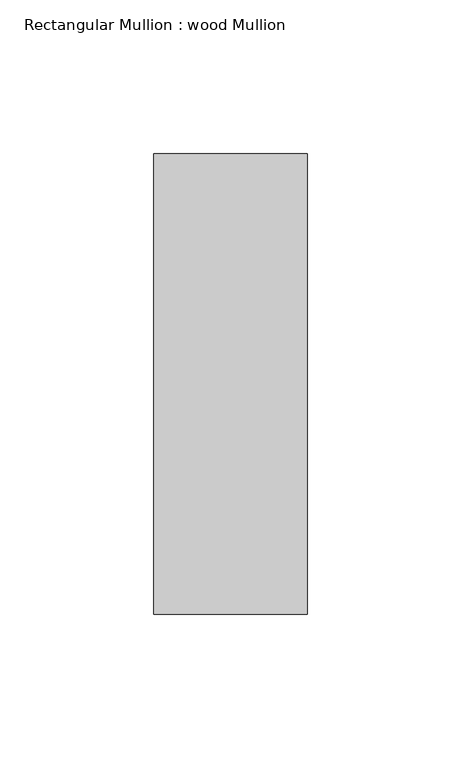
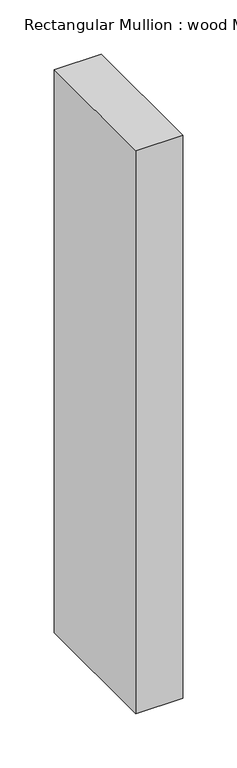
"""IFC4 building model written with IfcOpenShell, lengths in millimetres: member geometry, Rectangular Mullion : wood Mullion."""

from ifc_helpers import new_model, si_unit, frame, origin, place, context, project, spatial, polyline, outline, extrude, source, transform, mapped, element, save


def rectangular_mullion_wood_mullion_e77f96f9(model_context):
    return source(origin(), model_context, "Body", "SweptSolid", [
        extrude(outline(polyline([(0.0, 75.0), (0.0, -75.0), (-50.0, -75.0), (-50.0, 75.0), (0.0, 75.0)])), frame((0.0, 0.0, -633.3333333), z_axis=(0.0, 0.0, 1.0), x_axis=(1.0, 0.0, 0.0)), (0.0, 0.0, 1.0), 633.3333333),
    ])


if __name__ == "__main__":
    model = new_model("IFC4")
    model_context = context("Model", 3, world=origin())
    ifc_project = project(units=[si_unit("LENGTHUNIT", "METRE", prefix="MILLI")], contexts=[model_context])
    site = spatial("IfcSite", under=ifc_project)
    building = spatial("IfcBuilding", under=site)
    placement = place(None, origin())
    rectangular_mullion_wood_mullion_shape = rectangular_mullion_wood_mullion_e77f96f9(model_context)
    element("IfcMember", 1, ObjectType="Rectangular Mullion : wood Mullion", at=placement, inside=building, context=model_context, shape_type="MappedRepresentation", body=[
        mapped(rectangular_mullion_wood_mullion_shape, transform((0.0, 0.0, 0.0), x_axis=(1.0, 0.0, 0.0), y_axis=(0.0, 1.0, 0.0), z_axis=(0.0, 0.0, 1.0))),
    ])
    save(model, "model.ifc")
